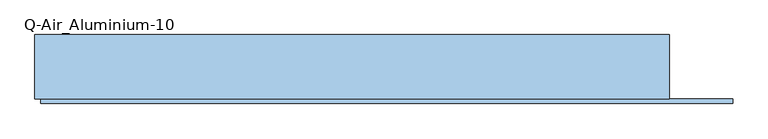
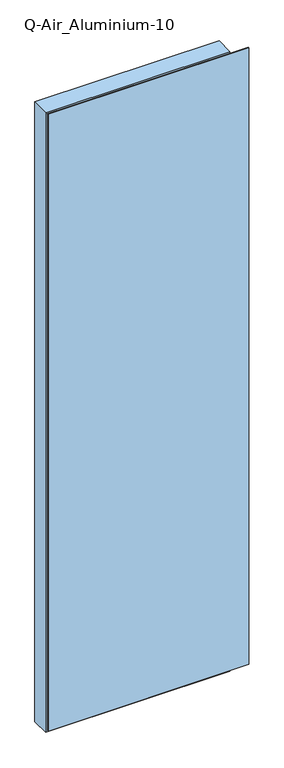
"""IFC4 building model written with IfcOpenShell, lengths in millimetres: window geometry, Q-Air_Aluminium-10."""

from ifc_helpers import new_model, si_unit, frame, origin, place, context, project, spatial, polyline, outline, extrude, source, transform, mapped, element, save


def q_air_aluminium_10_5fd796a9(model_context):
    return source(origin(), model_context, "Body", "SweptSolid", [
        extrude(outline(polyline([(4020.0, 565.0), (4020.0, -565.0), (0.0, -565.0), (0.0, 565.0), (4020.0, 565.0)]), holes=[polyline([(3962.0, 507.0), (58.0, 507.0), (58.0, -507.0), (3962.0, -507.0), (3962.0, 507.0)])]), frame((0.0, -114.5, 0.0), z_axis=(0.0, 1.0, 0.0), x_axis=(0.0, 0.0, 1.0)), (0.0, 0.0, 1.0), 114.5),
        extrude(outline(polyline([(507.0, 0.0), (507.0, -12.5), (-507.0, -12.5), (-507.0, 0.0), (507.0, 0.0)])), frame((0.0, 0.0, 58.0), z_axis=(0.0, 0.0, 1.0), x_axis=(1.0, 0.0, 0.0)), (0.0, 0.0, 1.0), 3904.0),
        extrude(outline(polyline([(677.4, -114.5), (677.4, -122.5), (-555.0, -122.5), (-555.0, -114.5), (677.4, -114.5)])), frame((0.0, 0.0, 10.0), z_axis=(0.0, 0.0, 1.0), x_axis=(1.0, 0.0, 0.0)), (0.0, 0.0, 1.0), 4000.0),
        extrude(outline(polyline([(4010.0, 677.4), (4010.0, -555.0), (10.0, -555.0), (10.0, 677.4), (4010.0, 677.4)]), holes=[polyline([(3962.0, 507.0), (58.0, 507.0), (58.0, -507.0), (3962.0, -507.0), (3962.0, 507.0)])]), frame((0.0, -118.5, 0.0), z_axis=(0.0, 1.0, 0.0), x_axis=(0.0, 0.0, 1.0)), (0.0, 0.0, 1.0), 4.0),
    ])


if __name__ == "__main__":
    model = new_model("IFC4")
    model_context = context("Model", 3, world=origin())
    ifc_project = project(units=[si_unit("LENGTHUNIT", "METRE", prefix="MILLI")], contexts=[model_context])
    site = spatial("IfcSite", under=ifc_project)
    building = spatial("IfcBuilding", under=site)
    placement = place(None, origin())
    q_air_aluminium_10_shape = q_air_aluminium_10_5fd796a9(model_context)
    element("IfcWindow", 1, ObjectType="Q-Air_Aluminium-10", at=placement, inside=building, context=model_context, shape_type="MappedRepresentation", body=[
        mapped(q_air_aluminium_10_shape, transform((0.0, 0.0, 0.0), x_axis=(1.0, 0.0, 0.0), y_axis=(0.0, 1.0, 0.0), z_axis=(0.0, 0.0, 1.0))),
    ])
    save(model, "model.ifc")
